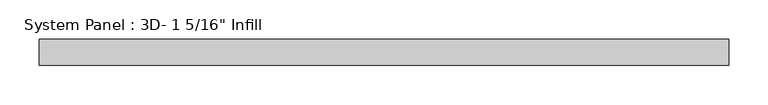
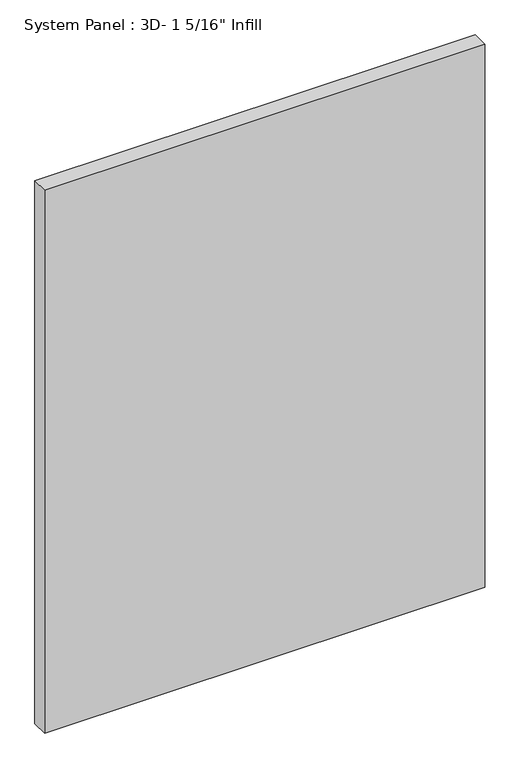
"""IFC4 building model written with IfcOpenShell, lengths in millimetres: plate geometry."""

from ifc_helpers import new_model, si_unit, origin, origin_with_axes, place, context, project, spatial, polyline, outline, extrude, source, transform, mapped, element, save


def plate_ab4c1347(model_context):
    return source(origin(), model_context, "Body", "SweptSolid", [
        extrude(outline(polyline([(439.6913535, -16.66875), (-439.6913535, -16.66875), (-439.6913535, 16.66875), (439.6913535, 16.66875), (439.6913535, -16.66875)])), origin_with_axes(), (0.0, 0.0, 1.0), 1146.1010889),
    ])


if __name__ == "__main__":
    model = new_model("IFC4")
    model_context = context("Model", 3, world=origin())
    ifc_project = project(units=[si_unit("LENGTHUNIT", "METRE", prefix="MILLI")], contexts=[model_context])
    site = spatial("IfcSite", under=ifc_project)
    building = spatial("IfcBuilding", under=site)
    placement = place(None, origin())
    plate_shape = plate_ab4c1347(model_context)
    element("IfcPlate", 1, ObjectType="System Panel : 3D- 1 5/16\" Infill", at=placement, inside=building, context=model_context, shape_type="MappedRepresentation", body=[
        mapped(plate_shape, transform((0.0, 0.0, 0.0), x_axis=(1.0, 0.0, 0.0), y_axis=(0.0, 1.0, 0.0), z_axis=(0.0, 0.0, 1.0))),
    ])
    save(model, "model.ifc")
